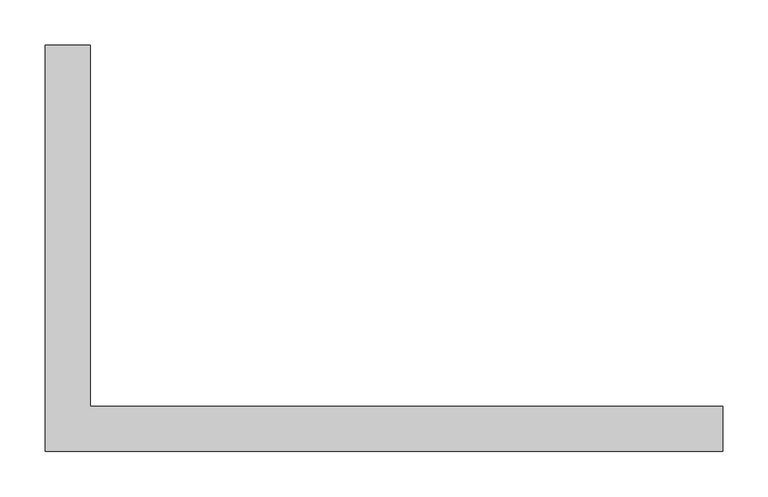
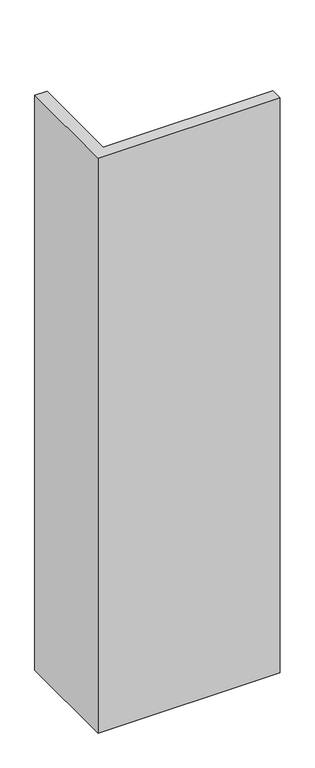
"""IFC4 building model written with IfcOpenShell, lengths in millimetres: proxy geometry."""

from ifc_helpers import new_model, si_unit, origin, origin_with_axes, place, context, project, spatial, polyline, outline, extrude, source, transform, mapped, element, save


def generic_models_1c33a340(model_context):
    return source(origin(), model_context, "Body", "SweptSolid", [
        extrude(outline(polyline([(-374.9999985, -225.000003), (-374.9999823, 224.999997), (-324.9999416, 224.9999963), (-324.9999579, -174.9999783), (375.0000017, -174.9999903), (375.0000008, -224.999997), (-374.9999985, -225.000003)])), origin_with_axes(), (0.0, 0.0, 1.0), 2500.0),
    ])


if __name__ == "__main__":
    model = new_model("IFC4")
    model_context = context("Model", 3, world=origin())
    ifc_project = project(units=[si_unit("LENGTHUNIT", "METRE", prefix="MILLI")], contexts=[model_context])
    site = spatial("IfcSite", under=ifc_project)
    building = spatial("IfcBuilding", under=site)
    placement = place(None, origin())
    generic_models_shape = generic_models_1c33a340(model_context)
    element("IfcBuildingElementProxy", 1, Name="Generic Models", at=placement, inside=building, context=model_context, shape_type="MappedRepresentation", body=[
        mapped(generic_models_shape, transform((0.0, 0.0, 0.0), x_axis=(1.0, 0.0, 0.0), y_axis=(0.0, 1.0, 0.0), z_axis=(0.0, 0.0, 1.0))),
    ])
    save(model, "model.ifc")
